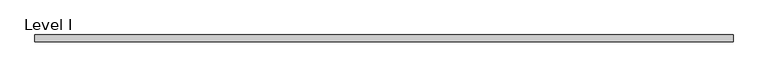
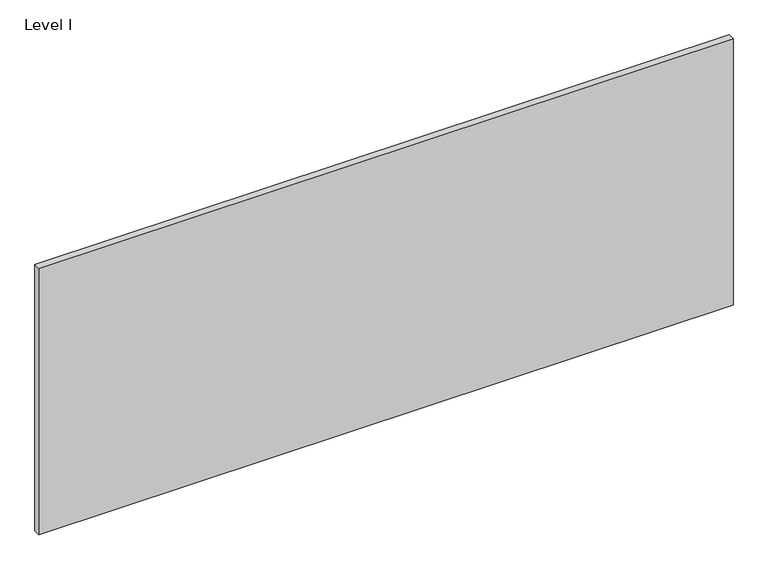
"""IFC4 building model written with IfcOpenShell, lengths in millimetres: proxy geometry, Level I."""

from ifc_helpers import new_model, si_unit, frame, origin, place, context, project, spatial, polyline, outline, extrude, source, transform, mapped, element, save


def level_i_5a75796b(model_context):
    return source(origin(), model_context, "Body", "SweptSolid", [
        extrude(outline(polyline([(998.8407125, 9.525), (998.8407125, -9.525), (-998.8407125, -9.525), (-998.8407125, 9.525), (998.8407125, 9.525)])), frame((0.0, 0.0, 3.175), z_axis=(0.0, 0.0, 1.0), x_axis=(1.0, 0.0, 0.0)), (0.0, 0.0, 1.0), 810.768),
    ])


if __name__ == "__main__":
    model = new_model("IFC4")
    model_context = context("Model", 3, world=origin())
    ifc_project = project(units=[si_unit("LENGTHUNIT", "METRE", prefix="MILLI")], contexts=[model_context])
    site = spatial("IfcSite", under=ifc_project)
    building = spatial("IfcBuilding", under=site)
    placement = place(None, origin())
    level_i_shape = level_i_5a75796b(model_context)
    element("IfcBuildingElementProxy", 1, Name="Level I", ObjectType="Level I", at=placement, inside=building, context=model_context, shape_type="MappedRepresentation", body=[
        mapped(level_i_shape, transform((0.0, 0.0, 0.0), x_axis=(1.0, 0.0, 0.0), y_axis=(0.0, 1.0, 0.0), z_axis=(0.0, 0.0, 1.0))),
    ])
    save(model, "model.ifc")
